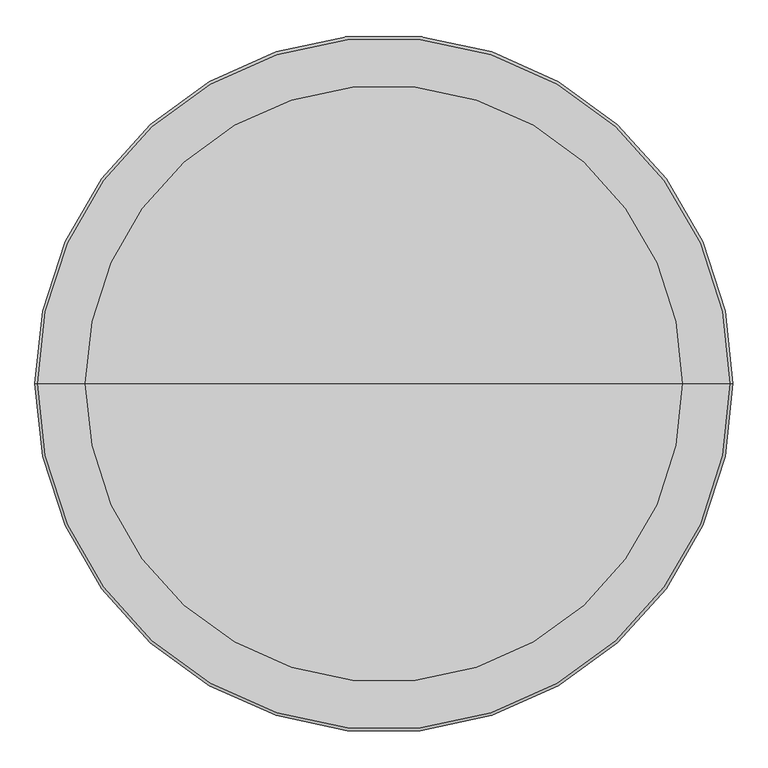
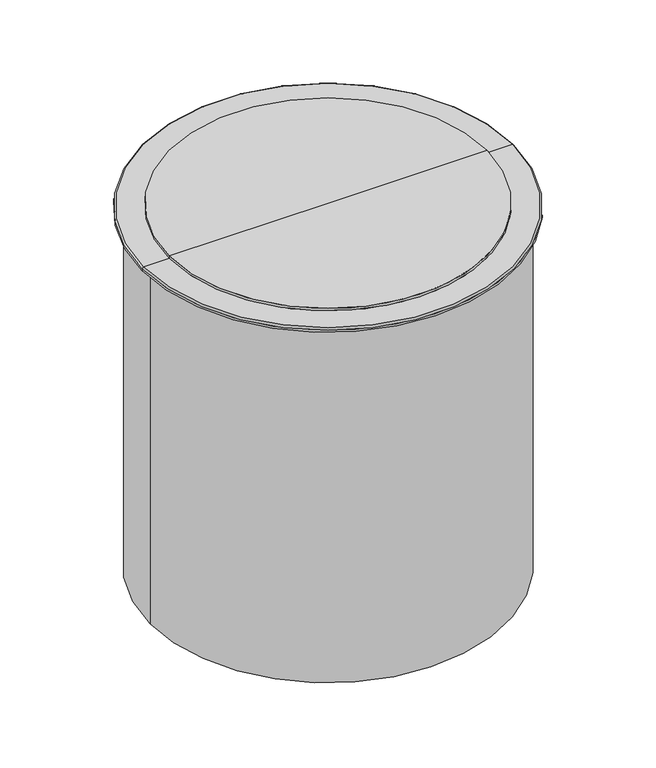
"""IFC4 building model written with IfcOpenShell, lengths in millimetres: proxy geometry."""

import ifcopenshell
import ifcopenshell.guid

model = None  # the IFC model being written
_history = None  # IfcOwnerHistory: only IFC2X3 demands one
_inside = {}  # id of a spatial element -> (the spatial element, [elements in it])
_under = {}  # id of a project, library or spatial element -> (it, [spatial elements below it])
_declared = {}  # id of a project -> (the project, [libraries it declares])
_typed = {}  # id of a type object -> (the type object, [elements of that type])
_made_of = {}  # id of a material, layer set ... -> (it, [elements and type objects made of it])


def new_model(schema):
    """Start an empty IFC model of exactly this schema.

    Asked for "IFC4X3", IfcOpenShell would pick the latest addendum, in which some entities
    have other attributes; the version numbers below select the first issue.
    IFC2X3 requires an IfcOwnerHistory on every rooted entity: one is made here for all.
    """
    global model, _history
    if schema == "IFC4X3":
        model = ifcopenshell.file(schema_version=(4, 3, 0, 0))
    else:
        model = ifcopenshell.file(schema=schema)
    _inside.clear()
    _under.clear()
    _declared.clear()
    _typed.clear()
    _made_of.clear()
    _history = None
    if model.schema == "IFC2X3":
        org = make("IfcOrganization", Name="unknown")
        user = make(
            "IfcPersonAndOrganization",
            ThePerson=make("IfcPerson", FamilyName="unknown"),
            TheOrganization=org,
        )
        app = make(
            "IfcApplication",
            ApplicationDeveloper=org,
            Version="unknown",
            ApplicationFullName="unknown",
            ApplicationIdentifier="unknown",
        )
        _history = make(
            "IfcOwnerHistory",
            OwningUser=user,
            OwningApplication=app,
            ChangeAction="ADDED",
            CreationDate=0,
        )
    return model


def make(cls, **values):
    """One entity of the class cls with the attributes given. An attribute that is None is left unset."""
    return model.create_entity(
        cls, **{name: value for name, value in values.items() if value is not None}
    )


def rooted(cls, **values):
    """An entity with a GlobalId (a new one), such as an element, a storey or a relation."""
    return make(cls, GlobalId=ifcopenshell.guid.new(), OwnerHistory=_history, **values)


def si_unit(unit_type, name, prefix=None):
    """IfcSIUnit, for example si_unit("LENGTHUNIT", "METRE", prefix="MILLI")."""
    return make("IfcSIUnit", UnitType=unit_type, Prefix=prefix, Name=name)


def assignment(units):
    """IfcUnitAssignment: the units of a project."""
    return None if units is None else make("IfcUnitAssignment", Units=units)


def point(xyz):
    """IfcCartesianPoint."""
    return None if xyz is None else make("IfcCartesianPoint", Coordinates=xyz)


def direction(xyz):
    """IfcDirection."""
    return None if xyz is None else make("IfcDirection", DirectionRatios=xyz)


def frame(location, z_axis=None, x_axis=None):
    """IfcAxis2Placement3D, a coordinate frame: its origin and axes. An axis left out is left unset."""
    return make(
        "IfcAxis2Placement3D",
        Location=point(location),
        Axis=direction(z_axis),
        RefDirection=direction(x_axis),
    )


def origin():
    """The frame at (0, 0, 0) with its axes left unset."""
    return frame((0.0, 0.0, 0.0))


def place(relative_to, where):
    """IfcLocalPlacement: puts the frame where relative to a parent placement (None: the world)."""
    return make(
        "IfcLocalPlacement", PlacementRelTo=relative_to, RelativePlacement=where
    )


def context(
    kind, dimensions, precision=None, world=None, true_north=None, identifier=None
):
    """IfcGeometricRepresentationContext, for example the 3D "Model" context."""
    return make(
        "IfcGeometricRepresentationContext",
        ContextIdentifier=identifier,
        ContextType=kind,
        CoordinateSpaceDimension=dimensions,
        Precision=precision,
        WorldCoordinateSystem=world,
        TrueNorth=true_north,
    )


def project(units=None, contexts=None):
    """IfcProject with its units and contexts."""
    return rooted(
        "IfcProject",
        Name="project",
        RepresentationContexts=contexts,
        UnitsInContext=assignment(units),
    )


def spatial(cls, under=None, at=None, **own):
    """A site, building, storey or space (cls), placed at a placement, below another one or the project."""
    s = rooted(cls, ObjectPlacement=at, **own)
    if under is not None:
        _under.setdefault(under.id(), (under, []))[1].append(s)
    return s


def circle_curve(where, radius):
    """IfcCircle in the frame where."""
    return make("IfcCircle", Position=where, Radius=radius)


def ellipse_curve(where, semi_axis1, semi_axis2):
    """IfcEllipse in the frame where."""
    return make(
        "IfcEllipse", Position=where, SemiAxis1=semi_axis1, SemiAxis2=semi_axis2
    )


def trimmed(basis, trim1, trim2, sense, master):
    """IfcTrimmedCurve: the piece of a basis curve between two trims."""
    return make(
        "IfcTrimmedCurve",
        BasisCurve=basis,
        Trim1=trim1,
        Trim2=trim2,
        SenseAgreement=sense,
        MasterRepresentation=master,
    )


def shape(context_of_items, identifier, shape_type, items):
    """IfcShapeRepresentation: the items that make up one representation, for example the "Body"."""
    return make(
        "IfcShapeRepresentation",
        ContextOfItems=context_of_items,
        RepresentationIdentifier=identifier,
        RepresentationType=shape_type,
        Items=items,
    )


def source(mapping_origin, context_of_items, identifier, shape_type, items):
    """IfcRepresentationMap: a shape defined once, which mapped items show again and again."""
    return make(
        "IfcRepresentationMap",
        MappingOrigin=mapping_origin,
        MappedRepresentation=shape(context_of_items, identifier, shape_type, items),
    )


def transform(
    local_origin,
    x_axis=None,
    y_axis=None,
    z_axis=None,
    scale=None,
    scale2=None,
    scale3=None,
    uniform=True,
):
    """IfcCartesianTransformationOperator3D, or its non-uniform kind. x_axis, y_axis, z_axis: its Axis1, 2, 3."""
    if uniform:
        return make(
            "IfcCartesianTransformationOperator3D",
            Axis1=direction(x_axis),
            Axis2=direction(y_axis),
            LocalOrigin=point(local_origin),
            Scale=scale,
            Axis3=direction(z_axis),
        )
    return make(
        "IfcCartesianTransformationOperator3DnonUniform",
        Axis1=direction(x_axis),
        Axis2=direction(y_axis),
        LocalOrigin=point(local_origin),
        Scale=scale,
        Axis3=direction(z_axis),
        Scale2=scale2,
        Scale3=scale3,
    )


def mapped(mapping_source, mapping_target):
    """IfcMappedItem: shows the shape of a source again, moved by a transform."""
    return make(
        "IfcMappedItem", MappingSource=mapping_source, MappingTarget=mapping_target
    )


def made_of(thing, what):
    """Note that an element or type object is made of a material, layer set ...; save() writes the relation."""
    if what is not None:
        _made_of.setdefault(what.id(), (what, []))[1].append(thing)
    return thing


def element(
    cls,
    number,
    at=None,
    inside=None,
    cuts=None,
    type_object=None,
    material=None,
    context=None,
    identifier="Body",
    shape_type=None,
    held_by="IfcProductDefinitionShape",
    body=None,
    shapes=None,
    **own,
):
    """One element of the class cls, such as IfcWall. Its Tag is "e" and its number.

    at: its placement. inside: the storey or other place that contains it. cuts: it is an
    opening in that element (IfcRelVoidsElement). A single representation is given by context,
    identifier, shape_type and body (its items); several are given by shapes. held_by: the class
    of the entity that holds the representations. save() writes the other relations.
    """
    e = rooted(cls, Tag="e%d" % number, ObjectPlacement=at, **own)
    if body is not None:
        shapes = [shape(context, identifier, shape_type, body)]
    if shapes is not None:
        e.Representation = make(held_by, Representations=shapes)
    if inside is not None:
        _inside.setdefault(inside.id(), (inside, []))[1].append(e)
    if cuts is not None:
        rooted(
            "IfcRelVoidsElement", RelatingBuildingElement=cuts, RelatedOpeningElement=e
        )
    if type_object is not None:
        _typed.setdefault(type_object.id(), (type_object, []))[1].append(e)
    return made_of(e, material)


def aggregate(whole, parts):
    """IfcRelAggregates: a whole, such as a stair, and the parts it consists of."""
    return rooted("IfcRelAggregates", RelatingObject=whole, RelatedObjects=parts)


def save(model, path):
    """Write the relations noted so far, then the file.

    IfcRelAggregates (storeys below a building ...), IfcRelContainedInSpatialStructure (elements
    in a storey), IfcRelDefinesByType, IfcRelAssociatesMaterial and IfcRelDeclares: one each for
    every whole, place, type object, material and project.
    """
    for whole, parts in _under.values():
        aggregate(whole, parts)
    for where, things in _inside.values():
        rooted(
            "IfcRelContainedInSpatialStructure",
            RelatedElements=things,
            RelatingStructure=where,
        )
    for kind, things in _typed.values():
        rooted("IfcRelDefinesByType", RelatedObjects=things, RelatingType=kind)
    for what, things in _made_of.values():
        rooted("IfcRelAssociatesMaterial", RelatedObjects=things, RelatingMaterial=what)
    for by, libraries in _declared.values():
        rooted("IfcRelDeclares", RelatingContext=by, RelatedDefinitions=libraries)
    model.write(path)


def plane_surface(at):
    """IfcPlane: the flat surface through the origin of the frame at, square to its z axis."""
    return make("IfcPlane", Position=at)


def cylinder_surface(at, radius):
    """IfcCylindricalSurface: all points at the distance radius from the z axis of the frame at."""
    return make("IfcCylindricalSurface", Position=at, Radius=radius)


def revolved_surface(curve, axis_point, axis_direction):
    """IfcSurfaceOfRevolution: the curve turned about the line through axis_point along axis_direction."""
    return make(
        "IfcSurfaceOfRevolution",
        SweptCurve=make("IfcArbitraryOpenProfileDef", ProfileType="CURVE", Curve=curve),
        AxisPosition=make("IfcAxis1Placement", Location=point(axis_point), Axis=direction(axis_direction)),
    )


def advanced_brep(points, edges, surfaces, faces):
    """IfcAdvancedBrep: a solid bounded by faces that lie on surfaces and meet in shared edges.

    An edge is (start, end): straight between two places in points (the first is 0);
    or (start, end, curve); or (start, end, curve, False) where it runs against its curve.
    A face is (place in surfaces, loops), or (place, loops, False) where it looks against
    its surface's normal. A loop lists edges by number (the first is 1), with a minus sign
    where the edge is run from its end to its start. The first loop is the outer one.
    """
    corners = [point(p) for p in points]
    vertices = [make("IfcVertexPoint", VertexGeometry=c) for c in corners]
    made = []
    for start, end, *more in edges:
        made.append(
            make(
                "IfcEdgeCurve",
                EdgeStart=vertices[start],
                EdgeEnd=vertices[end],
                EdgeGeometry=more[0] if more else make("IfcPolyline", Points=[corners[start], corners[end]]),
                SameSense=more[1] if len(more) > 1 else True,
            )
        )
    hull = []
    for where, loops, *sense in faces:
        bounds = []
        for j, loop in enumerate(loops):
            ring = [make("IfcOrientedEdge", EdgeElement=made[abs(k) - 1], Orientation=k > 0) for k in loop]
            bounds.append(
                make(
                    "IfcFaceOuterBound" if j == 0 else "IfcFaceBound",
                    Bound=make("IfcEdgeLoop", EdgeList=ring),
                    Orientation=True,
                )
            )
        hull.append(make("IfcAdvancedFace", Bounds=bounds, FaceSurface=surfaces[where], SameSense=sense[0] if sense else True))
    return make("IfcAdvancedBrep", Outer=make("IfcClosedShell", CfsFaces=hull))


def generic_models_89d26f80(model_context):
    return source(origin(), model_context, "Body", "AdvancedBrep", [
        advanced_brep(
        [(-561.5, 0.0, 0.0), (561.5, 0.0, 0.0), (0.0, 0.0, 0.0), (0.0, 0.0, 1206.0), (501.5, 0.0, 1206.0), (-501.5, 0.0, 1206.0), (501.5, 0.0, 1198.0), (-501.5, 0.0, 1198.0), (581.5, 0.0, 1198.0), (-581.5, 0.0, 1198.0), (586.5, 0.0, 1193.0), (-586.5, 0.0, 1193.0), (586.5, 0.0, 1186.0), (-586.5, 0.0, 1186.0), (561.5, 0.0, 1186.0), (-561.5, 0.0, 1186.0)],
        [
            (0, 1, circle_curve(frame((0.0, 0.0, 0.0), z_axis=(0.0, 0.0, -1.0), x_axis=(1.0, 0.0, 0.0)), 561.5)),
            (1, 2),
            (2, 0),
            (1, 0, circle_curve(frame((0.0, 0.0, 0.0), z_axis=(0.0, 0.0, -1.0), x_axis=(1.0, 0.0, 0.0)), 561.5)),
            (3, 4),
            (4, 5, circle_curve(frame((0.0, 0.0, 1206.0), z_axis=(0.0, 0.0, 1.0), x_axis=(1.0, 0.0, 0.0)), 501.5)),
            (5, 3),
            (5, 4, circle_curve(frame((0.0, 0.0, 1206.0), z_axis=(0.0, 0.0, 1.0), x_axis=(1.0, 0.0, 0.0)), 501.5)),
            (4, 6),
            (6, 7, circle_curve(frame((0.0, 0.0, 1198.0), z_axis=(0.0, 0.0, 1.0), x_axis=(1.0, 0.0, 0.0)), 501.5)),
            (7, 5),
            (7, 6, circle_curve(frame((0.0, 0.0, 1198.0), z_axis=(0.0, 0.0, 1.0), x_axis=(1.0, 0.0, 0.0)), 501.5)),
            (6, 8),
            (8, 9, circle_curve(frame((0.0, 0.0, 1198.0), z_axis=(0.0, 0.0, 1.0), x_axis=(1.0, 0.0, 0.0)), 581.5)),
            (9, 7),
            (9, 8, circle_curve(frame((0.0, 0.0, 1198.0), z_axis=(0.0, 0.0, 1.0), x_axis=(1.0, 0.0, 0.0)), 581.5)),
            (8, 10, circle_curve(frame((581.5, 0.0, 1193.0), z_axis=(0.0, 1.0, 0.0), x_axis=(1.0, 0.0, 0.0)), 5.0)),
            (10, 11, circle_curve(frame((0.0, 0.0, 1193.0), z_axis=(0.0, 0.0, 1.0), x_axis=(1.0, 0.0, 0.0)), 586.5)),
            (11, 9, circle_curve(frame((-581.5, 0.0, 1193.0), z_axis=(0.0, 1.0, 0.0), x_axis=(-1.0, 0.0, 0.0)), 5.0)),
            (11, 10, circle_curve(frame((0.0, 0.0, 1193.0), z_axis=(0.0, 0.0, 1.0), x_axis=(1.0, 0.0, 0.0)), 586.5)),
            (10, 12),
            (12, 13, circle_curve(frame((0.0, 0.0, 1186.0), z_axis=(0.0, 0.0, 1.0), x_axis=(1.0, 0.0, 0.0)), 586.5)),
            (13, 11),
            (13, 12, circle_curve(frame((0.0, 0.0, 1186.0), z_axis=(0.0, 0.0, 1.0), x_axis=(1.0, 0.0, 0.0)), 586.5)),
            (12, 14),
            (14, 15, circle_curve(frame((0.0, 0.0, 1186.0), z_axis=(0.0, 0.0, 1.0), x_axis=(1.0, 0.0, 0.0)), 561.5)),
            (15, 13),
            (15, 14, circle_curve(frame((0.0, 0.0, 1186.0), z_axis=(0.0, 0.0, 1.0), x_axis=(1.0, 0.0, 0.0)), 561.5)),
            (14, 1),
            (0, 15),
        ],
        [
            plane_surface(frame((0.0, 0.0, 0.0), z_axis=(0.0, 0.0, -1.0), x_axis=(1.0, 0.0, 0.0))),
            plane_surface(frame((0.0, 0.0, 1206.0), z_axis=(0.0, 0.0, 1.0), x_axis=(1.0, 0.0, 0.0))),
            cylinder_surface(frame((0.0, 0.0, 1106.0), z_axis=(0.0, 0.0, 1.0), x_axis=(1.0, 0.0, 0.0)), 501.5),
            plane_surface(frame((0.0, 0.0, 1198.0), z_axis=(0.0, 0.0, 1.0), x_axis=(1.0, 0.0, 0.0))),
            revolved_surface(trimmed(ellipse_curve(frame((581.5, 0.0, 1193.0), z_axis=(0.0, -1.0, 0.0), x_axis=(1.0, 0.0, 0.0)), 5.0, 5.0), [point((586.5, 0.0, 1193.0))], [point((581.5, 0.0, 1198.0))], True, "CARTESIAN"), (0.0, 0.0, 1106.0), (0.0, 0.0, 1.0)),
            cylinder_surface(frame((0.0, 0.0, 1106.0), z_axis=(0.0, 0.0, 1.0), x_axis=(1.0, 0.0, 0.0)), 586.5),
            plane_surface(frame((0.0, 0.0, 1186.0), z_axis=(0.0, 0.0, -1.0), x_axis=(1.0, 0.0, 0.0))),
            cylinder_surface(frame((0.0, 0.0, 1106.0), z_axis=(0.0, 0.0, 1.0), x_axis=(1.0, 0.0, 0.0)), 561.5),
        ],
        [
            (0, [[1, 2, 3]]),
            (0, [[4, -3, -2]]),
            (1, [[5, 6, 7]]),
            (1, [[-7, 8, -5]]),
            (2, [[-6, 9, 10, 11]]),
            (2, [[-8, -11, 12, -9]]),
            (3, [[-10, 13, 14, 15]]),
            (3, [[-12, -15, 16, -13]]),
            (4, [[-14, 17, 18, 19]]),
            (4, [[-16, -19, 20, -17]]),
            (5, [[-18, 21, 22, 23]]),
            (5, [[-20, -23, 24, -21]]),
            (6, [[-22, 25, 26, 27]]),
            (6, [[-24, -27, 28, -25]]),
            (7, [[-26, 29, -1, 30]]),
            (7, [[-28, -30, -4, -29]]),
        ],
    ),
    ])


if __name__ == "__main__":
    model = new_model("IFC4")
    model_context = context("Model", 3, world=origin())
    ifc_project = project(units=[si_unit("LENGTHUNIT", "METRE", prefix="MILLI")], contexts=[model_context])
    site = spatial("IfcSite", under=ifc_project)
    building = spatial("IfcBuilding", under=site)
    placement = place(None, origin())
    generic_models_shape = generic_models_89d26f80(model_context)
    element("IfcBuildingElementProxy", 1, Name="Generic Models", at=placement, inside=building, context=model_context, shape_type="MappedRepresentation", body=[
        mapped(generic_models_shape, transform((0.0, 0.0, 0.0), x_axis=(1.0, 0.0, 0.0), y_axis=(0.0, 1.0, 0.0), z_axis=(0.0, 0.0, 1.0))),
    ])
    save(model, "model.ifc")
